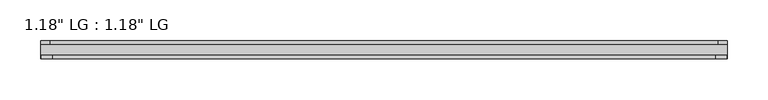
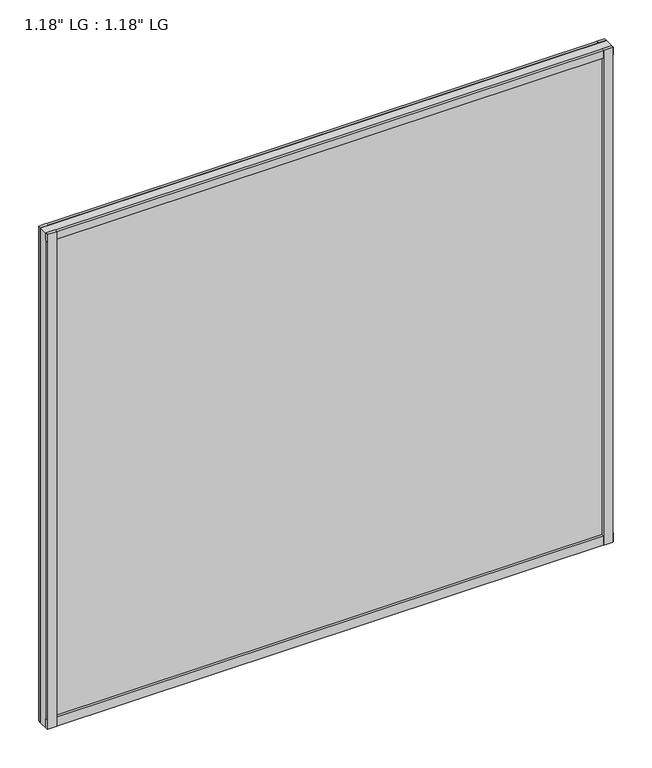
"""IFC4 building model written with IfcOpenShell, lengths in millimetres: plate geometry."""

from ifc_helpers import new_model, si_unit, frame, origin, origin_with_axes, place, context, project, spatial, polyline, outline, extrude, source, transform, mapped, element, save


def plate_14ed9eab(model_context):
    return source(origin(), model_context, "Body", "SweptSolid", [
        extrude(outline(polyline([(423.068369, 58.8264), (411.6157724, 58.8264), (411.6157724, 63.5), (423.068369, 63.5), (423.068369, 58.8264)])), origin_with_axes(), (0.0, 0.0, 1.0), 781.9522189),
        extrude(outline(polyline([(408.8490451, 45.212), (422.2527656, 45.212), (422.2527656, 41.021), (408.8490451, 41.021), (408.8490451, 45.212)])), origin_with_axes(), (0.0, 0.0, 1.0), 781.9522189),
        extrude(outline(polyline([(-411.5505603, 63.5), (-411.5505603, 58.8264), (-423.068369, 58.8264), (-423.068369, 63.5), (-411.5505603, 63.5)])), origin_with_axes(), (0.0, 0.0, 1.0), 781.9522189),
        extrude(outline(polyline([(-408.8593202, 45.212), (-408.8593202, 41.021), (-422.2527656, 41.021), (-422.2527656, 45.212), (-408.8593202, 45.212)])), origin_with_axes(), (0.0, 0.0, 1.0), 781.9522189),
        extrude(outline(polyline([(423.068369, 63.5), (423.068369, 58.8264), (-423.068369, 58.8264), (-423.068369, 63.5), (423.068369, 63.5)])), origin_with_axes(), (0.0, 0.0, 1.0), 11.444324),
        extrude(outline(polyline([(423.068369, 45.212), (423.068369, 41.021), (-423.068369, 41.021), (-423.068369, 45.212), (423.068369, 45.212)])), origin_with_axes(), (0.0, 0.0, 1.0), 14.1703966),
        extrude(outline(polyline([(423.068369, 63.5), (423.068369, 58.8264), (-423.068369, 58.8264), (-423.068369, 63.5), (423.068369, 63.5)])), frame((0.0, 0.0, 770.2871162), z_axis=(0.0, 0.0, 1.0), x_axis=(1.0, 0.0, 0.0)), (0.0, 0.0, 1.0), 11.6651026),
        extrude(outline(polyline([(423.068369, 45.212), (423.068369, 41.021), (-423.068369, 41.021), (-423.068369, 45.212), (423.068369, 45.212)])), frame((0.0, 0.0, 770.2871162), z_axis=(0.0, 0.0, 1.0), x_axis=(1.0, 0.0, 0.0)), (0.0, 0.0, 1.0), 11.6651026),
        extrude(outline(polyline([(423.068369, 58.8264), (423.068369, 45.212), (-423.068369, 45.212), (-423.068369, 58.8264), (423.068369, 58.8264)])), origin_with_axes(), (0.0, 0.0, 1.0), 781.9522189),
    ])


if __name__ == "__main__":
    model = new_model("IFC4")
    model_context = context("Model", 3, world=origin())
    ifc_project = project(units=[si_unit("LENGTHUNIT", "METRE", prefix="MILLI")], contexts=[model_context])
    site = spatial("IfcSite", under=ifc_project)
    building = spatial("IfcBuilding", under=site)
    placement = place(None, origin())
    plate_shape = plate_14ed9eab(model_context)
    element("IfcPlate", 1, ObjectType="1.18\" LG : 1.18\" LG", at=placement, inside=building, context=model_context, shape_type="MappedRepresentation", body=[
        mapped(plate_shape, transform((0.0, 0.0, 0.0), x_axis=(1.0, 0.0, 0.0), y_axis=(0.0, 1.0, 0.0), z_axis=(0.0, 0.0, 1.0))),
    ])
    save(model, "model.ifc")
